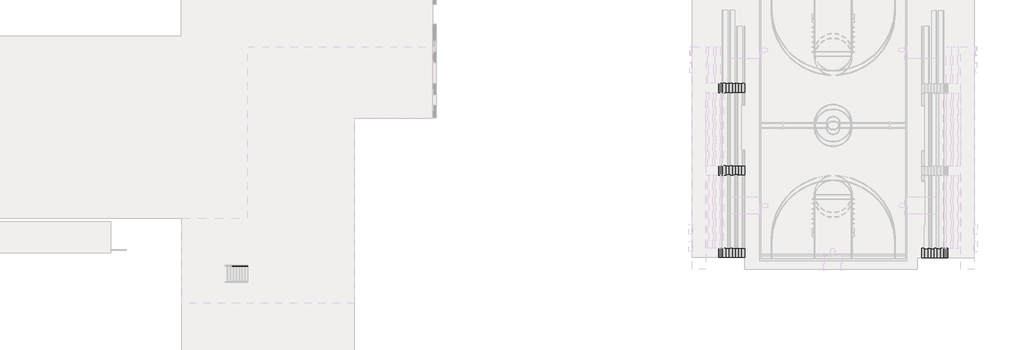
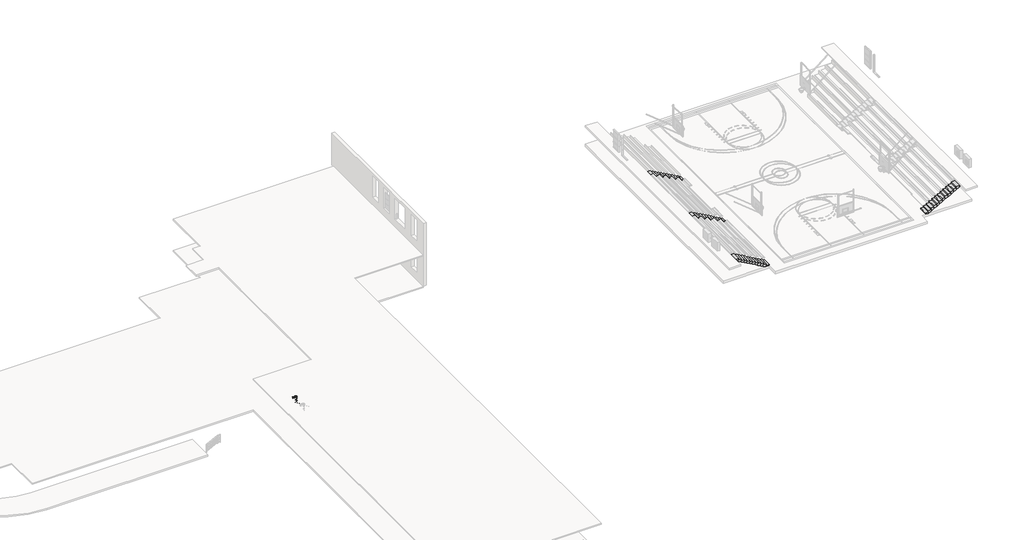
# One storey, part 36 of 38: 4 stair flights, 1 railing.
"""IFC4 building model written with IfcOpenShell, lengths in millimetres."""

from ifc_helpers import new_model, si_unit, point, frame, frame_2d, origin, place, context, project, spatial, circle_curve, ellipse_curve, trimmed, segment, composite_curve, outline, extrude, faceted_brep, element, save
from ifc_brep_helpers import plane_surface, cylinder_surface, advanced_brep

model = new_model("IFC4")

# Units and contexts
model_context = context("Model", 3, world=origin())
ifc_project = project(units=[si_unit("LENGTHUNIT", "METRE", prefix="MILLI")], contexts=[model_context])

# Site, building, storey
site = spatial("IfcSite", under=ifc_project)
building = spatial("IfcBuilding", under=site)
storey = spatial("IfcBuildingStorey", under=building, Elevation=0.0)

# Railing
placement = place(None, origin())
element("IfcRailing", 1, ObjectType="Handrail - Pipe", at=placement, inside=storey, context=model_context, shape_type="SolidModel", body=[
    advanced_brep(
    [(-328577.7168555, 172426.9600981, 1062.6244551), (-328577.7168555, 172388.8600981, 1062.6244551), (-333053.4714717, 172426.9600981, 3794.5785714), (-333053.4714717, 172388.8600981, 3794.5785714), (-333327.5168555, 172426.9600981, 3794.5785714), (-333327.5168555, 172388.8600981, 3794.5785714)],
    [
        (0, 1, ellipse_curve(frame((-328577.7168555, 172407.9100981, 1062.6244551), z_axis=(1.0, 0.0, 0.0), x_axis=(0.0, 0.0, -1.0)), 22.3184021, 19.05)),
        (1, 0, ellipse_curve(frame((-328577.7168555, 172407.9100981, 1062.6244551), z_axis=(1.0, 0.0, 0.0), x_axis=(0.0, 0.0, -1.0)), 22.3184021, 19.05)),
        (0, 2),
        (2, 3, ellipse_curve(frame((-333053.4714717, 172407.9100981, 3794.5785714), z_axis=(0.9626930275331743, 0.0, -0.27059588825222525), x_axis=(-0.2705958882522249, 0.0, -0.9626930275331745)), 19.7882393, 19.05)),
        (3, 1),
        (3, 2, ellipse_curve(frame((-333053.4714717, 172407.9100981, 3794.5785714), z_axis=(0.9626930275331743, 0.0, -0.27059588825222525), x_axis=(-0.2705958882522249, 0.0, -0.9626930275331745)), 19.7882393, 19.05)),
        (4, 5, circle_curve(frame((-333327.5168555, 172407.9100981, 3794.5785714), z_axis=(-1.0, 0.0, 0.0), x_axis=(0.0, -1.0, 0.0)), 19.05)),
        (5, 4, circle_curve(frame((-333327.5168555, 172407.9100981, 3794.5785714), z_axis=(-1.0, 0.0, 0.0), x_axis=(0.0, -1.0, 0.0)), 19.05)),
        (2, 4),
        (5, 3),
    ],
    [
        plane_surface(frame((-328577.7168555, 172407.9100981, 1084.9428571), z_axis=(1.0, 0.0, 0.0), x_axis=(0.0, -1.0, 0.0))),
        cylinder_surface(frame((-328587.641935, 172407.9100981, 1068.6826205), z_axis=(0.8535557305219784, 0.0, -0.5210015497991267), x_axis=(0.0, -1.0, 0.0)), 19.05),
        plane_surface(frame((-333327.5168555, 172407.9100981, 3813.6285714), z_axis=(-1.0, 0.0, 0.0), x_axis=(0.0, -1.0, 0.0))),
        cylinder_surface(frame((-333048.1168555, 172407.9100981, 3794.5785714), z_axis=(1.0, 0.0, 0.0), x_axis=(0.0, -1.0, 0.0)), 19.05),
    ],
    [
        (0, [[1, 2]]),
        (1, [[-1, 3, 4, 5]]),
        (1, [[-2, -5, 6, -3]]),
        (2, [[7, 8]]),
        (3, [[-4, 9, -8, 10]]),
        (3, [[-6, -10, -7, -9]]),
    ],
),
    advanced_brep(
    [(-328577.7168555, 172395.2100981, 917.6639224), (-328577.7168555, 172420.6100981, 917.6639224), (-333051.6865996, 172395.2100981, 3648.5285714), (-333051.6865996, 172420.6100981, 3648.5285714), (-333327.5168555, 172395.2100981, 3648.5285714), (-333327.5168555, 172420.6100981, 3648.5285714)],
    [
        (0, 1, ellipse_curve(frame((-328577.7168555, 172407.9100981, 917.6639224), z_axis=(1.0, 0.0, 0.0), x_axis=(0.0, 0.0, -1.0)), 14.8789347, 12.7)),
        (1, 0, ellipse_curve(frame((-328577.7168555, 172407.9100981, 917.6639224), z_axis=(1.0, 0.0, 0.0), x_axis=(0.0, 0.0, -1.0)), 14.8789347, 12.7)),
        (0, 2),
        (2, 3, ellipse_curve(frame((-333051.6865996, 172407.9100981, 3648.5285714), z_axis=(0.9626930275331743, 0.0, -0.27059588825222525), x_axis=(-0.2705958882522249, 0.0, -0.9626930275331745)), 13.1921595, 12.7)),
        (3, 1),
        (3, 2, ellipse_curve(frame((-333051.6865996, 172407.9100981, 3648.5285714), z_axis=(0.9626930275331743, 0.0, -0.27059588825222525), x_axis=(-0.2705958882522249, 0.0, -0.9626930275331745)), 13.1921595, 12.7)),
        (4, 5, circle_curve(frame((-333327.5168555, 172407.9100981, 3648.5285714), z_axis=(-1.0, 0.0, 0.0), x_axis=(0.0, 1.0, 0.0)), 12.7)),
        (5, 4, circle_curve(frame((-333327.5168555, 172407.9100981, 3648.5285714), z_axis=(-1.0, 0.0, 0.0), x_axis=(0.0, 1.0, 0.0)), 12.7)),
        (2, 4),
        (5, 3),
    ],
    [
        plane_surface(frame((-328577.7168555, 172407.9100981, 932.5428571), z_axis=(1.0, 0.0, 0.0), x_axis=(0.0, -1.0, 0.0))),
        cylinder_surface(frame((-328584.3335752, 172407.9100981, 921.7026994), z_axis=(0.8535557305219784, 0.0, -0.5210015497991267), x_axis=(0.0, 1.0, 0.0)), 12.7),
        plane_surface(frame((-333327.5168555, 172407.9100981, 3661.2285714), z_axis=(-1.0, 0.0, 0.0), x_axis=(0.0, -1.0, 0.0))),
        cylinder_surface(frame((-333048.1168555, 172407.9100981, 3648.5285714), z_axis=(1.0, 0.0, 0.0), x_axis=(0.0, 1.0, 0.0)), 12.7),
    ],
    [
        (0, [[1, 2]]),
        (1, [[-1, 3, 4, 5]]),
        (1, [[-2, -5, 6, -3]]),
        (2, [[7, 8]]),
        (3, [[-4, 9, -8, 10]]),
        (3, [[-6, -10, -7, -9]]),
    ],
),
    advanced_brep(
    [(-328577.7168555, 172395.2100981, 765.2639224), (-328577.7168555, 172420.6100981, 765.2639224), (-333051.6865996, 172395.2100981, 3496.1285714), (-333051.6865996, 172420.6100981, 3496.1285714), (-333327.5168555, 172395.2100981, 3496.1285714), (-333327.5168555, 172420.6100981, 3496.1285714)],
    [
        (0, 1, ellipse_curve(frame((-328577.7168555, 172407.9100981, 765.2639224), z_axis=(1.0, 0.0, 0.0), x_axis=(0.0, 0.0, -1.0)), 14.8789347, 12.7)),
        (1, 0, ellipse_curve(frame((-328577.7168555, 172407.9100981, 765.2639224), z_axis=(1.0, 0.0, 0.0), x_axis=(0.0, 0.0, -1.0)), 14.8789347, 12.7)),
        (0, 2),
        (2, 3, ellipse_curve(frame((-333051.6865996, 172407.9100981, 3496.1285714), z_axis=(0.9626930275331743, 0.0, -0.27059588825222525), x_axis=(-0.2705958882522249, 0.0, -0.9626930275331745)), 13.1921595, 12.7)),
        (3, 1),
        (3, 2, ellipse_curve(frame((-333051.6865996, 172407.9100981, 3496.1285714), z_axis=(0.9626930275331743, 0.0, -0.27059588825222525), x_axis=(-0.2705958882522249, 0.0, -0.9626930275331745)), 13.1921595, 12.7)),
        (4, 5, circle_curve(frame((-333327.5168555, 172407.9100981, 3496.1285714), z_axis=(-1.0, 0.0, 0.0), x_axis=(0.0, 1.0, 0.0)), 12.7)),
        (5, 4, circle_curve(frame((-333327.5168555, 172407.9100981, 3496.1285714), z_axis=(-1.0, 0.0, 0.0), x_axis=(0.0, 1.0, 0.0)), 12.7)),
        (2, 4),
        (5, 3),
    ],
    [
        plane_surface(frame((-328577.7168555, 172407.9100981, 780.1428571), z_axis=(1.0, 0.0, 0.0), x_axis=(0.0, -1.0, 0.0))),
        cylinder_surface(frame((-328584.3335752, 172407.9100981, 769.3026994), z_axis=(0.8535557305219784, 0.0, -0.5210015497991267), x_axis=(0.0, 1.0, 0.0)), 12.7),
        plane_surface(frame((-333327.5168555, 172407.9100981, 3508.8285714), z_axis=(-1.0, 0.0, 0.0), x_axis=(0.0, -1.0, 0.0))),
        cylinder_surface(frame((-333048.1168555, 172407.9100981, 3496.1285714), z_axis=(1.0, 0.0, 0.0), x_axis=(0.0, 1.0, 0.0)), 12.7),
    ],
    [
        (0, [[1, 2]]),
        (1, [[-1, 3, 4, 5]]),
        (1, [[-2, -5, 6, -3]]),
        (2, [[7, 8]]),
        (3, [[-4, 9, -8, 10]]),
        (3, [[-6, -10, -7, -9]]),
    ],
),
    advanced_brep(
    [(-328577.7168555, 172395.2100981, 612.8639224), (-328577.7168555, 172420.6100981, 612.8639224), (-333051.6865996, 172395.2100981, 3343.7285714), (-333051.6865996, 172420.6100981, 3343.7285714), (-333327.5168555, 172395.2100981, 3343.7285714), (-333327.5168555, 172420.6100981, 3343.7285714)],
    [
        (0, 1, ellipse_curve(frame((-328577.7168555, 172407.9100981, 612.8639224), z_axis=(1.0, 0.0, 0.0), x_axis=(0.0, 0.0, -1.0)), 14.8789347, 12.7)),
        (1, 0, ellipse_curve(frame((-328577.7168555, 172407.9100981, 612.8639224), z_axis=(1.0, 0.0, 0.0), x_axis=(0.0, 0.0, -1.0)), 14.8789347, 12.7)),
        (0, 2),
        (2, 3, ellipse_curve(frame((-333051.6865996, 172407.9100981, 3343.7285714), z_axis=(0.9626930275331743, 0.0, -0.27059588825222525), x_axis=(-0.2705958882522249, 0.0, -0.9626930275331745)), 13.1921595, 12.7)),
        (3, 1),
        (3, 2, ellipse_curve(frame((-333051.6865996, 172407.9100981, 3343.7285714), z_axis=(0.9626930275331743, 0.0, -0.27059588825222525), x_axis=(-0.2705958882522249, 0.0, -0.9626930275331745)), 13.1921595, 12.7)),
        (4, 5, circle_curve(frame((-333327.5168555, 172407.9100981, 3343.7285714), z_axis=(-1.0, 0.0, 0.0), x_axis=(0.0, 1.0, 0.0)), 12.7)),
        (5, 4, circle_curve(frame((-333327.5168555, 172407.9100981, 3343.7285714), z_axis=(-1.0, 0.0, 0.0), x_axis=(0.0, 1.0, 0.0)), 12.7)),
        (2, 4),
        (5, 3),
    ],
    [
        plane_surface(frame((-328577.7168555, 172407.9100981, 627.7428571), z_axis=(1.0, 0.0, 0.0), x_axis=(0.0, -1.0, 0.0))),
        cylinder_surface(frame((-328584.3335752, 172407.9100981, 616.9026994), z_axis=(0.8535557305219784, 0.0, -0.5210015497991267), x_axis=(0.0, 1.0, 0.0)), 12.7),
        plane_surface(frame((-333327.5168555, 172407.9100981, 3356.4285714), z_axis=(-1.0, 0.0, 0.0), x_axis=(0.0, -1.0, 0.0))),
        cylinder_surface(frame((-333048.1168555, 172407.9100981, 3343.7285714), z_axis=(1.0, 0.0, 0.0), x_axis=(0.0, 1.0, 0.0)), 12.7),
    ],
    [
        (0, [[1, 2]]),
        (1, [[-1, 3, 4, 5]]),
        (1, [[-2, -5, 6, -3]]),
        (2, [[7, 8]]),
        (3, [[-4, 9, -8, 10]]),
        (3, [[-6, -10, -7, -9]]),
    ],
),
    advanced_brep(
    [(-328577.7168555, 172395.2100981, 460.4639224), (-328577.7168555, 172420.6100981, 460.4639224), (-333051.6865996, 172395.2100981, 3191.3285714), (-333051.6865996, 172420.6100981, 3191.3285714), (-333327.5168555, 172395.2100981, 3191.3285714), (-333327.5168555, 172420.6100981, 3191.3285714)],
    [
        (0, 1, ellipse_curve(frame((-328577.7168555, 172407.9100981, 460.4639224), z_axis=(1.0, 0.0, 0.0), x_axis=(0.0, 0.0, -1.0)), 14.8789347, 12.7)),
        (1, 0, ellipse_curve(frame((-328577.7168555, 172407.9100981, 460.4639224), z_axis=(1.0, 0.0, 0.0), x_axis=(0.0, 0.0, -1.0)), 14.8789347, 12.7)),
        (0, 2),
        (2, 3, ellipse_curve(frame((-333051.6865996, 172407.9100981, 3191.3285714), z_axis=(0.9626930275331743, 0.0, -0.27059588825222525), x_axis=(-0.2705958882522249, 0.0, -0.9626930275331745)), 13.1921595, 12.7)),
        (3, 1),
        (3, 2, ellipse_curve(frame((-333051.6865996, 172407.9100981, 3191.3285714), z_axis=(0.9626930275331743, 0.0, -0.27059588825222525), x_axis=(-0.2705958882522249, 0.0, -0.9626930275331745)), 13.1921595, 12.7)),
        (4, 5, circle_curve(frame((-333327.5168555, 172407.9100981, 3191.3285714), z_axis=(-1.0, 0.0, 0.0), x_axis=(0.0, 1.0, 0.0)), 12.7)),
        (5, 4, circle_curve(frame((-333327.5168555, 172407.9100981, 3191.3285714), z_axis=(-1.0, 0.0, 0.0), x_axis=(0.0, 1.0, 0.0)), 12.7)),
        (2, 4),
        (5, 3),
    ],
    [
        plane_surface(frame((-328577.7168555, 172407.9100981, 475.3428571), z_axis=(1.0, 0.0, 0.0), x_axis=(0.0, -1.0, 0.0))),
        cylinder_surface(frame((-328584.3335752, 172407.9100981, 464.5026994), z_axis=(0.8535557305219784, 0.0, -0.5210015497991267), x_axis=(0.0, 1.0, 0.0)), 12.7),
        plane_surface(frame((-333327.5168555, 172407.9100981, 3204.0285714), z_axis=(-1.0, 0.0, 0.0), x_axis=(0.0, -1.0, 0.0))),
        cylinder_surface(frame((-333048.1168555, 172407.9100981, 3191.3285714), z_axis=(1.0, 0.0, 0.0), x_axis=(0.0, 1.0, 0.0)), 12.7),
    ],
    [
        (0, [[1, 2]]),
        (1, [[-1, 3, 4, 5]]),
        (1, [[-2, -5, 6, -3]]),
        (2, [[7, 8]]),
        (3, [[-4, 9, -8, 10]]),
        (3, [[-6, -10, -7, -9]]),
    ],
),
    advanced_brep(
    [(-328577.7168555, 172395.2100981, 308.0639224), (-328577.7168555, 172420.6100981, 308.0639224), (-333051.6865996, 172395.2100981, 3038.9285714), (-333051.6865996, 172420.6100981, 3038.9285714), (-333327.5168555, 172395.2100981, 3038.9285714), (-333327.5168555, 172420.6100981, 3038.9285714)],
    [
        (0, 1, ellipse_curve(frame((-328577.7168555, 172407.9100981, 308.0639224), z_axis=(1.0, 0.0, 0.0), x_axis=(0.0, 0.0, -1.0)), 14.8789347, 12.7)),
        (1, 0, ellipse_curve(frame((-328577.7168555, 172407.9100981, 308.0639224), z_axis=(1.0, 0.0, 0.0), x_axis=(0.0, 0.0, -1.0)), 14.8789347, 12.7)),
        (0, 2),
        (2, 3, ellipse_curve(frame((-333051.6865996, 172407.9100981, 3038.9285714), z_axis=(0.9626930275331743, 0.0, -0.27059588825222525), x_axis=(-0.2705958882522249, 0.0, -0.9626930275331745)), 13.1921595, 12.7)),
        (3, 1),
        (3, 2, ellipse_curve(frame((-333051.6865996, 172407.9100981, 3038.9285714), z_axis=(0.9626930275331743, 0.0, -0.27059588825222525), x_axis=(-0.2705958882522249, 0.0, -0.9626930275331745)), 13.1921595, 12.7)),
        (4, 5, circle_curve(frame((-333327.5168555, 172407.9100981, 3038.9285714), z_axis=(-1.0, 0.0, 0.0), x_axis=(0.0, 1.0, 0.0)), 12.7)),
        (5, 4, circle_curve(frame((-333327.5168555, 172407.9100981, 3038.9285714), z_axis=(-1.0, 0.0, 0.0), x_axis=(0.0, 1.0, 0.0)), 12.7)),
        (2, 4),
        (5, 3),
    ],
    [
        plane_surface(frame((-328577.7168555, 172407.9100981, 322.9428571), z_axis=(1.0, 0.0, 0.0), x_axis=(0.0, -1.0, 0.0))),
        cylinder_surface(frame((-328584.3335752, 172407.9100981, 312.1026994), z_axis=(0.8535557305219784, 0.0, -0.5210015497991267), x_axis=(0.0, 1.0, 0.0)), 12.7),
        plane_surface(frame((-333327.5168555, 172407.9100981, 3051.6285714), z_axis=(-1.0, 0.0, 0.0), x_axis=(0.0, -1.0, 0.0))),
        cylinder_surface(frame((-333048.1168555, 172407.9100981, 3038.9285714), z_axis=(1.0, 0.0, 0.0), x_axis=(0.0, 1.0, 0.0)), 12.7),
    ],
    [
        (0, [[1, 2]]),
        (1, [[-1, 3, 4, 5]]),
        (1, [[-2, -5, 6, -3]]),
        (2, [[7, 8]]),
        (3, [[-4, 9, -8, 10]]),
        (3, [[-6, -10, -7, -9]]),
    ],
),
    advanced_brep(
    [(-332235.3168555, 172420.6100981, 3272.8670919), (-332235.3168555, 172420.6100981, 2387.6), (-332235.3168555, 172395.2100981, 2387.6), (-332235.3168555, 172395.2100981, 3272.8670919)],
    [
        (0, 1),
        (1, 2, circle_curve(frame((-332235.3168555, 172407.9100981, 2387.6), z_axis=(0.0, 0.0, 1.0), x_axis=(0.0, -1.0, 0.0)), 12.7)),
        (2, 3),
        (3, 0, ellipse_curve(frame((-332235.3168555, 172407.9100981, 3272.8670919), z_axis=(-0.5210015497991245, 0.0, -0.8535557305219797), x_axis=(-0.8535557305219797, 0.0, 0.5210015497991244)), 14.8789347, 12.7)),
        (0, 3, ellipse_curve(frame((-332235.3168555, 172407.9100981, 3272.8670919), z_axis=(-0.5210015497991245, 0.0, -0.8535557305219797), x_axis=(-0.8535557305219797, 0.0, 0.5210015497991244)), 14.8789347, 12.7)),
        (2, 1, circle_curve(frame((-332235.3168555, 172407.9100981, 2387.6), z_axis=(0.0, 0.0, 1.0), x_axis=(0.0, -1.0, 0.0)), 12.7)),
    ],
    [
        cylinder_surface(frame((-332235.3168555, 172407.9100981, 2159.0), z_axis=(0.0, 0.0, 1.0), x_axis=(0.0, -1.0, 0.0)), 12.7),
        plane_surface(frame((-332260.7168555, 172382.5100981, 3288.370988), z_axis=(0.5210015497991245, 0.0, 0.8535557305219797), x_axis=(0.0, 1.0, 0.0))),
        plane_surface(frame((-332209.9168555, 172382.5100981, 2387.6), z_axis=(0.0, 0.0, -1.0), x_axis=(0.0, 1.0, 0.0))),
    ],
    [
        (0, [[1, 2, 3, 4]]),
        (0, [[-1, 5, -3, 6]]),
        (1, [[-4, -5]]),
        (2, [[-2, -6]]),
    ],
),
    advanced_brep(
    [(-331016.1168555, 172420.6100981, 2528.6800789), (-331016.1168555, 172420.6100981, 1534.8857143), (-331016.1168555, 172395.2100981, 1534.8857143), (-331016.1168555, 172395.2100981, 2528.6800789)],
    [
        (0, 1),
        (1, 2, circle_curve(frame((-331016.1168555, 172407.9100981, 1534.8857143), z_axis=(0.0, 0.0, 1.0), x_axis=(0.0, -1.0, 0.0)), 12.7)),
        (2, 3),
        (3, 0, ellipse_curve(frame((-331016.1168555, 172407.9100981, 2528.6800789), z_axis=(-0.5210015497991245, 0.0, -0.8535557305219797), x_axis=(-0.8535557305219797, 0.0, 0.5210015497991244)), 14.8789347, 12.7)),
        (0, 3, ellipse_curve(frame((-331016.1168555, 172407.9100981, 2528.6800789), z_axis=(-0.5210015497991245, 0.0, -0.8535557305219797), x_axis=(-0.8535557305219797, 0.0, 0.5210015497991244)), 14.8789347, 12.7)),
        (2, 1, circle_curve(frame((-331016.1168555, 172407.9100981, 1534.8857143), z_axis=(0.0, 0.0, 1.0), x_axis=(0.0, -1.0, 0.0)), 12.7)),
    ],
    [
        cylinder_surface(frame((-331016.1168555, 172407.9100981, 1306.2857143), z_axis=(0.0, 0.0, 1.0), x_axis=(0.0, -1.0, 0.0)), 12.7),
        plane_surface(frame((-331041.5168555, 172382.5100981, 2544.183975), z_axis=(0.5210015497991245, 0.0, 0.8535557305219797), x_axis=(0.0, 1.0, 0.0))),
        plane_surface(frame((-330990.7168555, 172382.5100981, 1534.8857143), z_axis=(0.0, 0.0, -1.0), x_axis=(0.0, 1.0, 0.0))),
    ],
    [
        (0, [[1, 2, 3, 4]]),
        (0, [[-1, 5, -3, 6]]),
        (1, [[-4, -5]]),
        (2, [[-2, -6]]),
    ],
),
    advanced_brep(
    [(-329796.9168555, 172420.6100981, 1784.4930659), (-329796.9168555, 172420.6100981, 852.7142857), (-329796.9168555, 172395.2100981, 852.7142857), (-329796.9168555, 172395.2100981, 1784.4930659)],
    [
        (0, 1),
        (1, 2, circle_curve(frame((-329796.9168555, 172407.9100981, 852.7142857), z_axis=(0.0, 0.0, 1.0), x_axis=(0.0, -1.0, 0.0)), 12.7)),
        (2, 3),
        (3, 0, ellipse_curve(frame((-329796.9168555, 172407.9100981, 1784.4930659), z_axis=(-0.5210015497991245, 0.0, -0.8535557305219797), x_axis=(-0.8535557305219797, 0.0, 0.5210015497991244)), 14.8789347, 12.7)),
        (0, 3, ellipse_curve(frame((-329796.9168555, 172407.9100981, 1784.4930659), z_axis=(-0.5210015497991245, 0.0, -0.8535557305219797), x_axis=(-0.8535557305219797, 0.0, 0.5210015497991244)), 14.8789347, 12.7)),
        (2, 1, circle_curve(frame((-329796.9168555, 172407.9100981, 852.7142857), z_axis=(0.0, 0.0, 1.0), x_axis=(0.0, -1.0, 0.0)), 12.7)),
    ],
    [
        cylinder_surface(frame((-329796.9168555, 172407.9100981, 624.1142857), z_axis=(0.0, 0.0, 1.0), x_axis=(0.0, -1.0, 0.0)), 12.7),
        plane_surface(frame((-329822.3168555, 172382.5100981, 1799.9969621), z_axis=(0.5210015497991245, 0.0, 0.8535557305219797), x_axis=(0.0, 1.0, 0.0))),
        plane_surface(frame((-329771.5168555, 172382.5100981, 852.7142857), z_axis=(0.0, 0.0, -1.0), x_axis=(0.0, 1.0, 0.0))),
    ],
    [
        (0, [[1, 2, 3, 4]]),
        (0, [[-1, 5, -3, 6]]),
        (1, [[-4, -5]]),
        (2, [[-2, -6]]),
    ],
),
    extrude(outline(composite_curve([segment(trimmed(circle_curve(frame_2d((-333314.8168555, 172407.9100981)), 12.7), [point((-333314.8168555, 172395.2100981))], [point((-333314.8168555, 172420.6100981))], False, "CARTESIAN"), True, "CONTINUOUS"), segment(trimmed(circle_curve(frame_2d((-333314.8168555, 172407.9100981)), 12.7), [point((-333314.8168555, 172420.6100981))], [point((-333314.8168555, 172395.2100981))], False, "CARTESIAN"), True, "CONTINUOUS")], self_intersect=False)), frame((0.0, 0.0, 2899.2285714), z_axis=(0.0, 0.0, 1.0), x_axis=(1.0, 0.0, 0.0)), (0.0, 0.0, 1.0), 876.3),
    advanced_brep(
    [(-328590.4168555, 172420.6100981, 1048.058001), (-328590.4168555, 172420.6100981, 170.5428571), (-328590.4168555, 172395.2100981, 170.5428571), (-328590.4168555, 172395.2100981, 1048.058001)],
    [
        (0, 1),
        (1, 2, circle_curve(frame((-328590.4168555, 172407.9100981, 170.5428571), z_axis=(0.0, 0.0, 1.0), x_axis=(0.0, -1.0, 0.0)), 12.7)),
        (2, 3),
        (3, 0, ellipse_curve(frame((-328590.4168555, 172407.9100981, 1048.058001), z_axis=(-0.5210015497991245, 0.0, -0.8535557305219797), x_axis=(-0.8535557305219797, 0.0, 0.5210015497991244)), 14.8789347, 12.7)),
        (0, 3, ellipse_curve(frame((-328590.4168555, 172407.9100981, 1048.058001), z_axis=(-0.5210015497991245, 0.0, -0.8535557305219797), x_axis=(-0.8535557305219797, 0.0, 0.5210015497991244)), 14.8789347, 12.7)),
        (2, 1, circle_curve(frame((-328590.4168555, 172407.9100981, 170.5428571), z_axis=(0.0, 0.0, 1.0), x_axis=(0.0, -1.0, 0.0)), 12.7)),
    ],
    [
        cylinder_surface(frame((-328590.4168555, 172407.9100981, -58.0571429), z_axis=(0.0, 0.0, 1.0), x_axis=(0.0, -1.0, 0.0)), 12.7),
        plane_surface(frame((-328615.8168555, 172382.5100981, 1063.5618971), z_axis=(0.5210015497991245, 0.0, 0.8535557305219797), x_axis=(0.0, 1.0, 0.0))),
        plane_surface(frame((-328565.0168555, 172382.5100981, 170.5428571), z_axis=(0.0, 0.0, -1.0), x_axis=(0.0, 1.0, 0.0))),
    ],
    [
        (0, [[1, 2, 3, 4]]),
        (0, [[-1, 5, -3, 6]]),
        (1, [[-4, -5]]),
        (2, [[-2, -6]]),
    ],
),
])

# Stair flights
element("IfcStairFlight", 2, ObjectType="3/4\" Nosing 6 1/2\" Depth", at=placement, inside=storey, context=model_context, shape_type="Brep", body=[
    faceted_brep([(-280290.1948094, 190199.52983, 169.9846154), (-280290.1948094, 189285.12983, 169.9846154), (-280309.2448094, 189285.12983, 0.0), (-280309.2448094, 190199.52983, 0.0), (-280614.0448094, 190199.52983, 169.9846154), (-280614.0448094, 189285.12983, 169.9846154), (-280614.0448094, 190199.52983, 0.0), (-280614.0448094, 189285.12983, 0.0), (-280594.9948094, 189285.12983, 339.9692308), (-280594.9948094, 190199.52983, 339.9692308), (-280918.8448094, 190199.52983, 339.9692308), (-280918.8448094, 189285.12983, 339.9692308), (-280648.2116341, 190199.52983, 0.0), (-280918.8448094, 190199.52983, 150.9300401), (-280918.8448094, 189285.12983, 150.9300401), (-280648.2116341, 189285.12983, 0.0), (-280899.7948094, 189285.12983, 509.9538462), (-280899.7948094, 190199.52983, 509.9538462), (-281223.6448094, 190199.52983, 509.9538462), (-281223.6448094, 189285.12983, 509.9538462), (-281223.6448094, 190199.52983, 320.9146554), (-281223.6448094, 189285.12983, 320.9146554), (-281204.5948094, 189285.12983, 679.9384615), (-281204.5948094, 190199.52983, 679.9384615), (-281528.4448094, 190199.52983, 679.9384615), (-281528.4448094, 189285.12983, 679.9384615), (-281528.4448094, 190199.52983, 490.8992708), (-281528.4448094, 189285.12983, 490.8992708), (-281509.3948094, 189285.12983, 849.9230769), (-281509.3948094, 190199.52983, 849.9230769), (-281833.2448094, 190199.52983, 849.9230769), (-281833.2448094, 189285.12983, 849.9230769), (-281833.2448094, 190199.52983, 660.8838862), (-281833.2448094, 189285.12983, 660.8838862), (-281814.1948094, 189285.12983, 1019.9076923), (-281814.1948094, 190199.52983, 1019.9076923), (-282138.0448094, 190199.52983, 1019.9076923), (-282138.0448094, 189285.12983, 1019.9076923), (-282138.0448094, 190199.52983, 830.8685016), (-282138.0448094, 189285.12983, 830.8685016), (-282118.9948094, 189285.12983, 1189.8923077), (-282118.9948094, 190199.52983, 1189.8923077), (-282442.8448094, 190199.52983, 1189.8923077), (-282442.8448094, 189285.12983, 1189.8923077), (-282442.8448094, 190199.52983, 1000.853117), (-282442.8448094, 189285.12983, 1000.853117), (-282423.7948094, 189285.12983, 1359.8769231), (-282423.7948094, 190199.52983, 1359.8769231), (-282747.6448094, 190199.52983, 1359.8769231), (-282747.6448094, 189285.12983, 1359.8769231), (-282747.6448094, 190199.52983, 1170.8377324), (-282747.6448094, 189285.12983, 1170.8377324), (-282728.5948094, 189285.12983, 1529.8615385), (-282728.5948094, 190199.52983, 1529.8615385), (-283052.4448094, 190199.52983, 1529.8615385), (-283052.4448094, 189285.12983, 1529.8615385), (-283052.4448094, 190199.52983, 1340.8223477), (-283052.4448094, 189285.12983, 1340.8223477), (-283033.3948094, 189285.12983, 1699.8461538), (-283033.3948094, 190199.52983, 1699.8461538), (-283357.2448094, 190199.52983, 1699.8461538), (-283357.2448094, 189285.12983, 1699.8461538), (-283357.2448094, 190199.52983, 1510.8069631), (-283357.2448094, 189285.12983, 1510.8069631), (-283338.1948094, 189285.12983, 1869.8307692), (-283338.1948094, 190199.52983, 1869.8307692), (-283662.0448094, 190199.52983, 1869.8307692), (-283662.0448094, 189285.12983, 1869.8307692), (-283662.0448094, 190199.52983, 1680.7915785), (-283662.0448094, 189285.12983, 1680.7915785), (-283642.9948094, 189285.12983, 2039.8153846), (-283642.9948094, 190199.52983, 2039.8153846), (-284049.3948094, 190199.52983, 2039.8153846), (-284049.3948094, 189285.12983, 2039.8153846), (-283947.7948094, 190199.52983, 1840.1521554), (-283947.7948094, 190199.52983, 1938.2153846), (-284049.3948094, 190199.52983, 1938.2153846), (-284049.3948094, 189285.12983, 1938.2153846), (-283947.7948094, 189285.12983, 1938.2153846), (-283947.7948094, 189285.12983, 1840.1521554)], [[[0, 1, 2, 3]], [[1, 0, 4, 5]], [[4, 0, 3, 6]], [[1, 5, 7, 2]], [[8, 9, 10, 11]], [[4, 6, 12, 13, 10, 9]], [[7, 5, 8, 11, 14, 15]], [[5, 4, 9, 8]], [[16, 17, 18, 19]], [[18, 17, 10, 13, 20]], [[16, 19, 21, 14, 11]], [[11, 10, 17, 16]], [[22, 23, 24, 25]], [[24, 23, 18, 20, 26]], [[22, 25, 27, 21, 19]], [[19, 18, 23, 22]], [[28, 29, 30, 31]], [[30, 29, 24, 26, 32]], [[28, 31, 33, 27, 25]], [[25, 24, 29, 28]], [[34, 35, 36, 37]], [[36, 35, 30, 32, 38]], [[34, 37, 39, 33, 31]], [[31, 30, 35, 34]], [[40, 41, 42, 43]], [[42, 41, 36, 38, 44]], [[40, 43, 45, 39, 37]], [[37, 36, 41, 40]], [[46, 47, 48, 49]], [[48, 47, 42, 44, 50]], [[46, 49, 51, 45, 43]], [[43, 42, 47, 46]], [[52, 53, 54, 55]], [[54, 53, 48, 50, 56]], [[52, 55, 57, 51, 49]], [[49, 48, 53, 52]], [[58, 59, 60, 61]], [[60, 59, 54, 56, 62]], [[58, 61, 63, 57, 55]], [[55, 54, 59, 58]], [[64, 65, 66, 67]], [[66, 65, 60, 62, 68]], [[64, 67, 69, 63, 61]], [[61, 60, 65, 64]], [[70, 71, 72, 73]], [[72, 71, 66, 68, 74, 75, 76]], [[70, 73, 77, 78, 79, 69, 67]], [[74, 79, 78, 75]], [[67, 66, 71, 70]], [[2, 7, 15, 12, 6, 3]], [[12, 15, 14, 21, 27, 33, 39, 45, 51, 57, 63, 69, 79, 74, 68, 62, 56, 50, 44, 38, 32, 26, 20, 13]], [[76, 75, 78, 77]], [[76, 77, 73, 72]]]),
])
element("IfcStairFlight", 3, ObjectType="3/4\" Nosing 6 1/2\" Depth", at=placement, inside=storey, context=model_context, shape_type="Brep", body=[
    faceted_brep([(-280290.1948094, 182191.1984174, 169.9846154), (-280290.1948094, 181276.7984174, 169.9846154), (-280309.2448094, 181276.7984174, 0.0), (-280309.2448094, 182191.1984174, 0.0), (-280614.0448094, 182191.1984174, 169.9846154), (-280614.0448094, 181276.7984174, 169.9846154), (-280614.0448094, 182191.1984174, 0.0), (-280614.0448094, 181276.7984174, 0.0), (-280594.9948094, 181276.7984174, 339.9692308), (-280594.9948094, 182191.1984174, 339.9692308), (-280918.8448094, 182191.1984174, 339.9692308), (-280918.8448094, 181276.7984174, 339.9692308), (-280648.2116341, 182191.1984174, 0.0), (-280918.8448094, 182191.1984174, 150.9300401), (-280918.8448094, 181276.7984174, 150.9300401), (-280648.2116341, 181276.7984174, 0.0), (-280899.7948094, 181276.7984174, 509.9538462), (-280899.7948094, 182191.1984174, 509.9538462), (-281223.6448094, 182191.1984174, 509.9538462), (-281223.6448094, 181276.7984174, 509.9538462), (-281223.6448094, 182191.1984174, 320.9146554), (-281223.6448094, 181276.7984174, 320.9146554), (-281204.5948094, 181276.7984174, 679.9384615), (-281204.5948094, 182191.1984174, 679.9384615), (-281528.4448094, 182191.1984174, 679.9384615), (-281528.4448094, 181276.7984174, 679.9384615), (-281528.4448094, 182191.1984174, 490.8992708), (-281528.4448094, 181276.7984174, 490.8992708), (-281509.3948094, 181276.7984174, 849.9230769), (-281509.3948094, 182191.1984174, 849.9230769), (-281833.2448094, 182191.1984174, 849.9230769), (-281833.2448094, 181276.7984174, 849.9230769), (-281833.2448094, 182191.1984174, 660.8838862), (-281833.2448094, 181276.7984174, 660.8838862), (-281814.1948094, 181276.7984174, 1019.9076923), (-281814.1948094, 182191.1984174, 1019.9076923), (-282138.0448094, 182191.1984174, 1019.9076923), (-282138.0448094, 181276.7984174, 1019.9076923), (-282138.0448094, 182191.1984174, 830.8685016), (-282138.0448094, 181276.7984174, 830.8685016), (-282118.9948094, 181276.7984174, 1189.8923077), (-282118.9948094, 182191.1984174, 1189.8923077), (-282442.8448094, 182191.1984174, 1189.8923077), (-282442.8448094, 181276.7984174, 1189.8923077), (-282442.8448094, 182191.1984174, 1000.853117), (-282442.8448094, 181276.7984174, 1000.853117), (-282423.7948094, 181276.7984174, 1359.8769231), (-282423.7948094, 182191.1984174, 1359.8769231), (-282747.6448094, 182191.1984174, 1359.8769231), (-282747.6448094, 181276.7984174, 1359.8769231), (-282747.6448094, 182191.1984174, 1170.8377324), (-282747.6448094, 181276.7984174, 1170.8377324), (-282728.5948094, 181276.7984174, 1529.8615385), (-282728.5948094, 182191.1984174, 1529.8615385), (-283052.4448094, 182191.1984174, 1529.8615385), (-283052.4448094, 181276.7984174, 1529.8615385), (-283052.4448094, 182191.1984174, 1340.8223477), (-283052.4448094, 181276.7984174, 1340.8223477), (-283033.3948094, 181276.7984174, 1699.8461538), (-283033.3948094, 182191.1984174, 1699.8461538), (-283357.2448094, 182191.1984174, 1699.8461538), (-283357.2448094, 181276.7984174, 1699.8461538), (-283357.2448094, 182191.1984174, 1510.8069631), (-283357.2448094, 181276.7984174, 1510.8069631), (-283338.1948094, 181276.7984174, 1869.8307692), (-283338.1948094, 182191.1984174, 1869.8307692), (-283662.0448094, 182191.1984174, 1869.8307692), (-283662.0448094, 181276.7984174, 1869.8307692), (-283662.0448094, 182191.1984174, 1680.7915785), (-283662.0448094, 181276.7984174, 1680.7915785), (-283642.9948094, 181276.7984174, 2039.8153846), (-283642.9948094, 182191.1984174, 2039.8153846), (-284049.3948094, 182191.1984174, 2039.8153846), (-284049.3948094, 181276.7984174, 2039.8153846), (-283947.7948094, 182191.1984174, 1840.1521554), (-283947.7948094, 182191.1984174, 1938.2153846), (-284049.3948094, 182191.1984174, 1938.2153846), (-284049.3948094, 181276.7984174, 1938.2153846), (-283947.7948094, 181276.7984174, 1938.2153846), (-283947.7948094, 181276.7984174, 1840.1521554)], [[[0, 1, 2, 3]], [[1, 0, 4, 5]], [[4, 0, 3, 6]], [[1, 5, 7, 2]], [[8, 9, 10, 11]], [[4, 6, 12, 13, 10, 9]], [[7, 5, 8, 11, 14, 15]], [[5, 4, 9, 8]], [[16, 17, 18, 19]], [[18, 17, 10, 13, 20]], [[16, 19, 21, 14, 11]], [[11, 10, 17, 16]], [[22, 23, 24, 25]], [[24, 23, 18, 20, 26]], [[22, 25, 27, 21, 19]], [[19, 18, 23, 22]], [[28, 29, 30, 31]], [[30, 29, 24, 26, 32]], [[28, 31, 33, 27, 25]], [[25, 24, 29, 28]], [[34, 35, 36, 37]], [[36, 35, 30, 32, 38]], [[34, 37, 39, 33, 31]], [[31, 30, 35, 34]], [[40, 41, 42, 43]], [[42, 41, 36, 38, 44]], [[40, 43, 45, 39, 37]], [[37, 36, 41, 40]], [[46, 47, 48, 49]], [[48, 47, 42, 44, 50]], [[46, 49, 51, 45, 43]], [[43, 42, 47, 46]], [[52, 53, 54, 55]], [[54, 53, 48, 50, 56]], [[52, 55, 57, 51, 49]], [[49, 48, 53, 52]], [[58, 59, 60, 61]], [[60, 59, 54, 56, 62]], [[58, 61, 63, 57, 55]], [[55, 54, 59, 58]], [[64, 65, 66, 67]], [[66, 65, 60, 62, 68]], [[64, 67, 69, 63, 61]], [[61, 60, 65, 64]], [[70, 71, 72, 73]], [[72, 71, 66, 68, 74, 75, 76]], [[70, 73, 77, 78, 79, 69, 67]], [[74, 79, 78, 75]], [[67, 66, 71, 70]], [[2, 7, 15, 12, 6, 3]], [[12, 15, 14, 21, 27, 33, 39, 45, 51, 57, 63, 69, 79, 74, 68, 62, 56, 50, 44, 38, 32, 26, 20, 13]], [[76, 75, 78, 77]], [[76, 77, 73, 72]]]),
])
element("IfcStairFlight", 4, ObjectType="3/4\" Nosing 6 1/2\" Depth", at=placement, inside=storey, context=model_context, shape_type="Brep", body=[
    faceted_brep([(-280290.1948094, 174182.8670048, 169.9846154), (-280290.1948094, 173268.4670048, 169.9846154), (-280309.2448094, 173268.4670048, 0.0), (-280309.2448094, 174182.8670048, 0.0), (-280614.0448094, 174182.8670048, 169.9846154), (-280614.0448094, 173268.4670048, 169.9846154), (-280614.0448094, 173268.4670048, 0.0), (-280614.0448094, 174182.8670048, 0.0), (-280594.9948094, 173268.4670048, 339.9692308), (-280594.9948094, 174182.8670048, 339.9692308), (-280918.8448094, 174182.8670048, 339.9692308), (-280918.8448094, 173268.4670048, 339.9692308), (-280918.8448094, 173268.4670048, 150.9300401), (-280648.2116341, 173268.4670048, 0.0), (-280648.2116341, 174182.8670048, 0.0), (-280918.8448094, 174182.8670048, 150.9300401), (-280899.7948094, 173268.4670048, 509.9538462), (-280899.7948094, 174182.8670048, 509.9538462), (-281223.6448094, 174182.8670048, 509.9538462), (-281223.6448094, 173268.4670048, 509.9538462), (-281223.6448094, 173268.4670048, 320.9146554), (-281223.6448094, 174182.8670048, 320.9146554), (-281204.5948094, 173268.4670048, 679.9384615), (-281204.5948094, 174182.8670048, 679.9384615), (-281528.4448094, 174182.8670048, 679.9384615), (-281528.4448094, 173268.4670048, 679.9384615), (-281528.4448094, 173268.4670048, 490.8992708), (-281528.4448094, 174182.8670048, 490.8992708), (-281509.3948094, 173268.4670048, 849.9230769), (-281509.3948094, 174182.8670048, 849.9230769), (-281833.2448094, 174182.8670048, 849.9230769), (-281833.2448094, 173268.4670048, 849.9230769), (-281833.2448094, 173268.4670048, 660.8838862), (-281833.2448094, 174182.8670048, 660.8838862), (-281814.1948094, 173268.4670048, 1019.9076923), (-281814.1948094, 174182.8670048, 1019.9076923), (-282138.0448094, 174182.8670048, 1019.9076923), (-282138.0448094, 173268.4670048, 1019.9076923), (-282138.0448094, 173268.4670048, 830.8685016), (-282138.0448094, 174182.8670048, 830.8685016), (-282118.9948094, 173268.4670048, 1189.8923077), (-282118.9948094, 174182.8670048, 1189.8923077), (-282442.8448094, 174182.8670048, 1189.8923077), (-282442.8448094, 173268.4670048, 1189.8923077), (-282442.8448094, 173268.4670048, 1000.853117), (-282442.8448094, 174182.8670048, 1000.853117), (-282423.7948094, 173268.4670048, 1359.8769231), (-282423.7948094, 174182.8670048, 1359.8769231), (-282747.6448094, 174182.8670048, 1359.8769231), (-282747.6448094, 173268.4670048, 1359.8769231), (-282747.6448094, 173268.4670048, 1170.8377324), (-282747.6448094, 174182.8670048, 1170.8377324), (-282728.5948094, 173268.4670048, 1529.8615385), (-282728.5948094, 174182.8670048, 1529.8615385), (-283052.4448094, 174182.8670048, 1529.8615385), (-283052.4448094, 173268.4670048, 1529.8615385), (-283052.4448094, 173268.4670048, 1340.8223477), (-283052.4448094, 174182.8670048, 1340.8223477), (-283033.3948094, 173268.4670048, 1699.8461538), (-283033.3948094, 174182.8670048, 1699.8461538), (-283357.2448094, 174182.8670048, 1699.8461538), (-283357.2448094, 173268.4670048, 1699.8461538), (-283357.2448094, 173268.4670048, 1510.8069631), (-283357.2448094, 174182.8670048, 1510.8069631), (-283338.1948094, 173268.4670048, 1869.8307692), (-283338.1948094, 174182.8670048, 1869.8307692), (-283662.0448094, 174182.8670048, 1869.8307692), (-283662.0448094, 173268.4670048, 1869.8307692), (-283662.0448094, 173268.4670048, 1680.7915785), (-283662.0448094, 174182.8670048, 1680.7915785), (-283642.9948094, 173268.4670048, 2039.8153846), (-283642.9948094, 174182.8670048, 2039.8153846), (-284049.3948094, 174182.8670048, 2039.8153846), (-284049.3948094, 173268.4670048, 2039.8153846), (-284049.3948094, 173268.4670048, 1938.2153846), (-283947.7948094, 173268.4670048, 1938.2153846), (-283947.7948094, 173268.4670048, 1840.1521554), (-283947.7948094, 174182.8670048, 1840.1521554), (-283947.7948094, 174182.8670048, 1938.2153846), (-284049.3948094, 174182.8670048, 1938.2153846)], [[[0, 1, 2, 3]], [[1, 0, 4, 5]], [[1, 5, 6, 2]], [[4, 0, 3, 7]], [[8, 9, 10, 11]], [[6, 5, 8, 11, 12, 13]], [[4, 7, 14, 15, 10, 9]], [[5, 4, 9, 8]], [[16, 17, 18, 19]], [[16, 19, 20, 12, 11]], [[18, 17, 10, 15, 21]], [[11, 10, 17, 16]], [[22, 23, 24, 25]], [[22, 25, 26, 20, 19]], [[24, 23, 18, 21, 27]], [[19, 18, 23, 22]], [[28, 29, 30, 31]], [[28, 31, 32, 26, 25]], [[30, 29, 24, 27, 33]], [[25, 24, 29, 28]], [[34, 35, 36, 37]], [[34, 37, 38, 32, 31]], [[36, 35, 30, 33, 39]], [[31, 30, 35, 34]], [[40, 41, 42, 43]], [[40, 43, 44, 38, 37]], [[42, 41, 36, 39, 45]], [[37, 36, 41, 40]], [[46, 47, 48, 49]], [[46, 49, 50, 44, 43]], [[48, 47, 42, 45, 51]], [[43, 42, 47, 46]], [[52, 53, 54, 55]], [[52, 55, 56, 50, 49]], [[54, 53, 48, 51, 57]], [[49, 48, 53, 52]], [[58, 59, 60, 61]], [[58, 61, 62, 56, 55]], [[60, 59, 54, 57, 63]], [[55, 54, 59, 58]], [[64, 65, 66, 67]], [[64, 67, 68, 62, 61]], [[66, 65, 60, 63, 69]], [[61, 60, 65, 64]], [[70, 71, 72, 73]], [[70, 73, 74, 75, 76, 68, 67]], [[72, 71, 66, 69, 77, 78, 79]], [[77, 76, 75, 78]], [[67, 66, 71, 70]], [[2, 6, 13, 14, 7, 3]], [[14, 13, 12, 20, 26, 32, 38, 44, 50, 56, 62, 68, 76, 77, 69, 63, 57, 51, 45, 39, 33, 27, 21, 15]], [[79, 78, 75, 74]], [[79, 74, 73, 72]]]),
])
element("IfcStairFlight", 5, ObjectType="3/4\" Nosing 6 1/2\" Depth", at=placement, inside=storey, context=model_context, shape_type="Brep", body=[
    faceted_brep([(-263070.6567903, 173224.0170048, 169.9846154), (-263070.6567903, 174138.4170048, 169.9846154), (-263051.6067903, 174138.4170048, 0.0), (-263051.6067903, 173224.0170048, 0.0), (-262746.8067903, 173224.0170048, 169.9846154), (-262746.8067903, 174138.4170048, 169.9846154), (-262746.8067903, 173224.0170048, 0.0), (-262746.8067903, 174138.4170048, 0.0), (-262765.8567903, 174138.4170048, 339.9692308), (-262765.8567903, 173224.0170048, 339.9692308), (-262442.0067903, 173224.0170048, 339.9692308), (-262442.0067903, 174138.4170048, 339.9692308), (-262712.6399655, 173224.0170048, 0.0), (-262442.0067903, 173224.0170048, 150.9300401), (-262442.0067903, 174138.4170048, 150.9300401), (-262712.6399655, 174138.4170048, 0.0), (-262461.0567903, 174138.4170048, 509.9538462), (-262461.0567903, 173224.0170048, 509.9538462), (-262137.2067903, 173224.0170048, 509.9538462), (-262137.2067903, 174138.4170048, 509.9538462), (-262137.2067903, 173224.0170048, 320.9146554), (-262137.2067903, 174138.4170048, 320.9146554), (-262156.2567903, 174138.4170048, 679.9384615), (-262156.2567903, 173224.0170048, 679.9384615), (-261832.4067903, 173224.0170048, 679.9384615), (-261832.4067903, 174138.4170048, 679.9384615), (-261832.4067903, 173224.0170048, 490.8992708), (-261832.4067903, 174138.4170048, 490.8992708), (-261851.4567903, 174138.4170048, 849.9230769), (-261851.4567903, 173224.0170048, 849.9230769), (-261527.6067903, 173224.0170048, 849.9230769), (-261527.6067903, 174138.4170048, 849.9230769), (-261527.6067903, 173224.0170048, 660.8838862), (-261527.6067903, 174138.4170048, 660.8838862), (-261546.6567903, 174138.4170048, 1019.9076923), (-261546.6567903, 173224.0170048, 1019.9076923), (-261222.8067903, 173224.0170048, 1019.9076923), (-261222.8067903, 174138.4170048, 1019.9076923), (-261222.8067903, 173224.0170048, 830.8685016), (-261222.8067903, 174138.4170048, 830.8685016), (-261241.8567903, 174138.4170048, 1189.8923077), (-261241.8567903, 173224.0170048, 1189.8923077), (-260918.0067903, 173224.0170048, 1189.8923077), (-260918.0067903, 174138.4170048, 1189.8923077), (-260918.0067903, 173224.0170048, 1000.853117), (-260918.0067903, 174138.4170048, 1000.853117), (-260937.0567903, 174138.4170048, 1359.8769231), (-260937.0567903, 173224.0170048, 1359.8769231), (-260613.2067903, 173224.0170048, 1359.8769231), (-260613.2067903, 174138.4170048, 1359.8769231), (-260613.2067903, 173224.0170048, 1170.8377324), (-260613.2067903, 174138.4170048, 1170.8377324), (-260632.2567903, 174138.4170048, 1529.8615385), (-260632.2567903, 173224.0170048, 1529.8615385), (-260308.4067903, 173224.0170048, 1529.8615385), (-260308.4067903, 174138.4170048, 1529.8615385), (-260308.4067903, 173224.0170048, 1340.8223477), (-260308.4067903, 174138.4170048, 1340.8223477), (-260327.4567903, 174138.4170048, 1699.8461538), (-260327.4567903, 173224.0170048, 1699.8461538), (-260003.6067903, 173224.0170048, 1699.8461538), (-260003.6067903, 174138.4170048, 1699.8461538), (-260003.6067903, 173224.0170048, 1510.8069631), (-260003.6067903, 174138.4170048, 1510.8069631), (-260022.6567903, 174138.4170048, 1869.8307692), (-260022.6567903, 173224.0170048, 1869.8307692), (-259698.8067903, 173224.0170048, 1869.8307692), (-259698.8067903, 174138.4170048, 1869.8307692), (-259698.8067903, 173224.0170048, 1680.7915785), (-259698.8067903, 174138.4170048, 1680.7915785), (-259717.8567903, 174138.4170048, 2039.8153846), (-259717.8567903, 173224.0170048, 2039.8153846), (-259311.4567903, 173224.0170048, 2039.8153846), (-259311.4567903, 174138.4170048, 2039.8153846), (-259413.0567903, 173224.0170048, 1840.1521554), (-259413.0567903, 173224.0170048, 1938.2153846), (-259311.4567903, 173224.0170048, 1938.2153846), (-259311.4567903, 174138.4170048, 1938.2153846), (-259413.0567903, 174138.4170048, 1938.2153846), (-259413.0567903, 174138.4170048, 1840.1521554)], [[[0, 1, 2, 3]], [[1, 0, 4, 5]], [[4, 0, 3, 6]], [[1, 5, 7, 2]], [[8, 9, 10, 11]], [[4, 6, 12, 13, 10, 9]], [[7, 5, 8, 11, 14, 15]], [[5, 4, 9, 8]], [[16, 17, 18, 19]], [[18, 17, 10, 13, 20]], [[16, 19, 21, 14, 11]], [[11, 10, 17, 16]], [[22, 23, 24, 25]], [[24, 23, 18, 20, 26]], [[22, 25, 27, 21, 19]], [[19, 18, 23, 22]], [[28, 29, 30, 31]], [[30, 29, 24, 26, 32]], [[28, 31, 33, 27, 25]], [[25, 24, 29, 28]], [[34, 35, 36, 37]], [[36, 35, 30, 32, 38]], [[34, 37, 39, 33, 31]], [[31, 30, 35, 34]], [[40, 41, 42, 43]], [[42, 41, 36, 38, 44]], [[40, 43, 45, 39, 37]], [[37, 36, 41, 40]], [[46, 47, 48, 49]], [[48, 47, 42, 44, 50]], [[46, 49, 51, 45, 43]], [[43, 42, 47, 46]], [[52, 53, 54, 55]], [[54, 53, 48, 50, 56]], [[52, 55, 57, 51, 49]], [[49, 48, 53, 52]], [[58, 59, 60, 61]], [[60, 59, 54, 56, 62]], [[58, 61, 63, 57, 55]], [[55, 54, 59, 58]], [[64, 65, 66, 67]], [[66, 65, 60, 62, 68]], [[64, 67, 69, 63, 61]], [[61, 60, 65, 64]], [[70, 71, 72, 73]], [[72, 71, 66, 68, 74, 75, 76]], [[70, 73, 77, 78, 79, 69, 67]], [[74, 79, 78, 75]], [[67, 66, 71, 70]], [[2, 7, 15, 12, 6, 3]], [[12, 15, 14, 21, 27, 33, 39, 45, 51, 57, 63, 69, 79, 74, 68, 62, 56, 50, 44, 38, 32, 26, 20, 13]], [[76, 75, 78, 77]], [[76, 77, 73, 72]]]),
])

save(model, "model.ifc")
